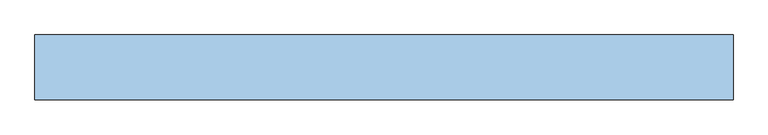
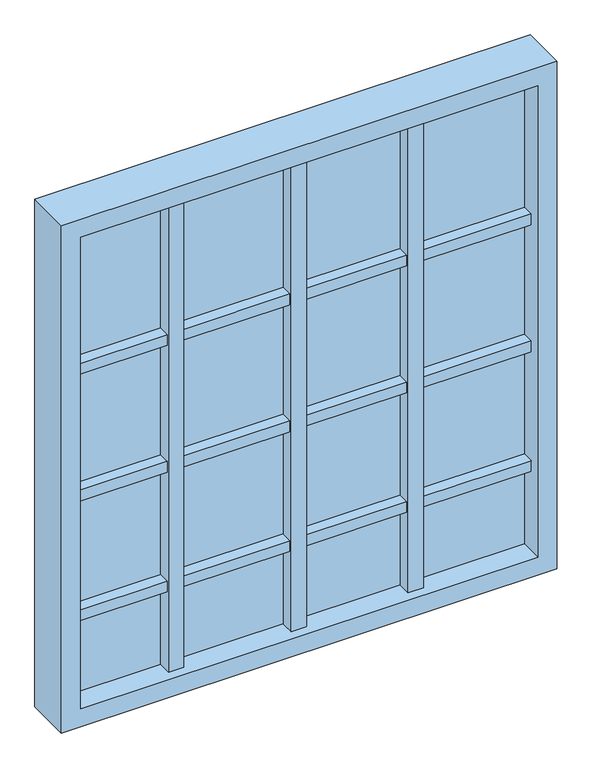
"""IFC4 building model written with IfcOpenShell, lengths in millimetres: window geometry."""

from ifc_helpers import new_model, si_unit, frame, origin, place, context, project, spatial, polyline, outline, extrude, faceted_brep, source, transform, mapped, element, save


def window_07c55287(model_context):
    return source(origin(), model_context, "Body", "SolidModel", [
        faceted_brep([(-146.2502915, -51.9216834, 854.6219736), (-146.2502915, -116.9216834, 854.6219736), (-186.2502915, -116.9216834, 854.6219736), (-186.2502915, -51.9216834, 854.6219736), (-146.2502915, -51.9216834, 2154.6219736), (-146.2502915, -116.9216834, 2154.6219736), (-146.2502915, -51.9216834, 1073.2641831), (-146.2502915, -111.5, 1073.2641831), (-146.2502915, -111.5, 1102.7391612), (-146.2502915, -51.9216834, 1102.7391612), (-146.2502915, -51.9216834, 1403.2641831), (-146.2502915, -111.5, 1403.2641831), (-146.2502915, -111.5, 1432.7391612), (-146.2502915, -51.9216834, 1432.7391612), (-146.2502915, -51.9216834, 1753.2641831), (-146.2502915, -111.5, 1753.2641831), (-146.2502915, -111.5, 1782.7391612), (-146.2502915, -51.9216834, 1782.7391612), (-186.2502915, -116.9216834, 2154.6219736), (-186.2502915, -51.9216834, 2154.6219736), (-186.2502915, -51.9216834, 1782.7391612), (-186.2502915, -111.5, 1782.7391612), (-186.2502915, -111.5, 1753.2641831), (-186.2502915, -51.9216834, 1753.2641831), (-186.2502915, -51.9216834, 1432.7391612), (-186.2502915, -111.5, 1432.7391612), (-186.2502915, -111.5, 1403.2641831), (-186.2502915, -51.9216834, 1403.2641831), (-186.2502915, -51.9216834, 1102.7391612), (-186.2502915, -111.5, 1102.7391612), (-186.2502915, -111.5, 1073.2641831), (-186.2502915, -51.9216834, 1073.2641831), (-466.2502915, -51.9216834, 854.6219736), (-466.2502915, -116.9216834, 854.6219736), (-506.2502915, -116.9216834, 854.6219736), (-506.2502915, -51.9216834, 854.6219736), (-466.2502915, -51.9216834, 2154.6219736), (-466.2502915, -116.9216834, 2154.6219736), (-466.2502915, -51.9216834, 1073.2641831), (-466.2502915, -111.5, 1073.2641831), (-466.2502915, -111.5, 1102.7391612), (-466.2502915, -51.9216834, 1102.7391612), (-466.2502915, -51.9216834, 1403.2641831), (-466.2502915, -111.5, 1403.2641831), (-466.2502915, -111.5, 1432.7391612), (-466.2502915, -51.9216834, 1432.7391612), (-466.2502915, -51.9216834, 1753.2641831), (-466.2502915, -111.5, 1753.2641831), (-466.2502915, -111.5, 1782.7391612), (-466.2502915, -51.9216834, 1782.7391612), (-506.2502915, -116.9216834, 2154.6219736), (-506.2502915, -51.9216834, 2154.6219736), (-506.2502915, -51.9216834, 1782.7391612), (-506.2502915, -111.5, 1782.7391612), (-506.2502915, -111.5, 1753.2641831), (-506.2502915, -51.9216834, 1753.2641831), (-506.2502915, -51.9216834, 1432.7391612), (-506.2502915, -111.5, 1432.7391612), (-506.2502915, -111.5, 1403.2641831), (-506.2502915, -51.9216834, 1403.2641831), (-506.2502915, -51.9216834, 1102.7391612), (-506.2502915, -111.5, 1102.7391612), (-506.2502915, -111.5, 1073.2641831), (-506.2502915, -51.9216834, 1073.2641831), (158.7497085, -51.9216834, 854.6219736), (158.7497085, -116.9216834, 854.6219736), (118.7497085, -116.9216834, 854.6219736), (118.7497085, -51.9216834, 854.6219736), (158.7497085, -51.9216834, 2154.6219736), (158.7497085, -116.9216834, 2154.6219736), (158.7497085, -51.9216834, 1073.2641831), (158.7497085, -111.5, 1073.2641831), (158.7497085, -111.5, 1102.7391612), (158.7497085, -51.9216834, 1102.7391612), (158.7497085, -51.9216834, 1403.2641831), (158.7497085, -111.5, 1403.2641831), (158.7497085, -111.5, 1432.7391612), (158.7497085, -51.9216834, 1432.7391612), (158.7497085, -51.9216834, 1753.2641831), (158.7497085, -111.5, 1753.2641831), (158.7497085, -111.5, 1782.7391612), (158.7497085, -51.9216834, 1782.7391612), (118.7497085, -116.9216834, 2154.6219736), (118.7497085, -51.9216834, 2154.6219736), (118.7497085, -51.9216834, 1782.7391612), (118.7497085, -111.5, 1782.7391612), (118.7497085, -111.5, 1753.2641831), (118.7497085, -51.9216834, 1753.2641831), (118.7497085, -51.9216834, 1432.7391612), (118.7497085, -111.5, 1432.7391612), (118.7497085, -111.5, 1403.2641831), (118.7497085, -51.9216834, 1403.2641831), (118.7497085, -51.9216834, 1102.7391612), (118.7497085, -111.5, 1102.7391612), (118.7497085, -111.5, 1073.2641831), (118.7497085, -51.9216834, 1073.2641831), (443.7497085, -111.5, 1782.7391612), (443.7497085, -111.5, 1753.2641831), (443.7497085, -51.4894594, 1753.2641831), (443.7497085, -51.4894594, 1782.7391612), (-750.0, -111.5, 1782.7391612), (-750.0, -51.4894594, 1782.7391612), (-750.0, -51.4894594, 1753.2641831), (-750.0, -111.5, 1753.2641831), (443.7497085, -111.5, 1432.7391612), (443.7497085, -111.5, 1403.2641831), (443.7497085, -51.4894594, 1403.2641831), (443.7497085, -51.4894594, 1432.7391612), (-750.0, -111.5, 1432.7391612), (-750.0, -51.4894594, 1432.7391612), (-750.0, -51.4894594, 1403.2641831), (-750.0, -111.5, 1403.2641831), (443.7497085, -111.5, 1102.7391612), (443.7497085, -111.5, 1073.2641831), (443.7497085, -51.4894594, 1073.2641831), (443.7497085, -51.4894594, 1102.7391612), (-750.0, -111.5, 1102.7391612), (-750.0, -51.4894594, 1102.7391612), (-750.0, -51.4894594, 1073.2641831), (-750.0, -111.5, 1073.2641831)], [[[0, 1, 2, 3]], [[4, 5, 1, 0, 6, 7, 8, 9, 10, 11, 12, 13, 14, 15, 16, 17]], [[5, 18, 2, 1]], [[18, 19, 20, 21, 22, 23, 24, 25, 26, 27, 28, 29, 30, 31, 3, 2]], [[0, 3, 31, 6]], [[23, 14, 13, 24]], [[19, 4, 17, 20]], [[27, 10, 9, 28]], [[32, 33, 34, 35]], [[36, 37, 33, 32, 38, 39, 40, 41, 42, 43, 44, 45, 46, 47, 48, 49]], [[37, 50, 34, 33]], [[50, 51, 52, 53, 54, 55, 56, 57, 58, 59, 60, 61, 62, 63, 35, 34]], [[32, 35, 63, 38]], [[55, 46, 45, 56]], [[51, 36, 49, 52]], [[59, 42, 41, 60]], [[64, 65, 66, 67]], [[68, 69, 65, 64, 70, 71, 72, 73, 74, 75, 76, 77, 78, 79, 80, 81]], [[69, 82, 66, 65]], [[82, 83, 84, 85, 86, 87, 88, 89, 90, 91, 92, 93, 94, 95, 67, 66]], [[64, 67, 95, 70]], [[83, 68, 81, 84]], [[78, 77, 88, 87]], [[74, 73, 92, 91]], [[96, 97, 98, 99]], [[100, 101, 102, 103]], [[97, 96, 80, 79]], [[100, 103, 54, 53]], [[22, 21, 48, 47]], [[16, 15, 86, 85]], [[98, 97, 79, 78, 87, 86, 15, 14, 23, 22, 47, 46, 55, 54, 103, 102]], [[99, 98, 102, 101]], [[96, 99, 101, 100, 53, 52, 49, 48, 21, 20, 17, 16, 85, 84, 81, 80]], [[4, 19, 18, 5]], [[36, 51, 50, 37]], [[104, 105, 106, 107]], [[108, 109, 110, 111]], [[12, 11, 90, 89]], [[105, 104, 76, 75]], [[108, 111, 58, 57]], [[25, 44, 43, 26]], [[106, 105, 75, 74, 91, 90, 11, 10, 27, 26, 43, 42, 59, 58, 111, 110]], [[107, 106, 110, 109]], [[104, 107, 109, 108, 57, 56, 45, 44, 25, 24, 13, 12, 89, 88, 77, 76]], [[112, 113, 114, 115]], [[116, 117, 118, 119]], [[8, 7, 94, 93]], [[113, 112, 72, 71]], [[116, 119, 62, 61]], [[29, 40, 39, 30]], [[114, 113, 71, 70, 95, 94, 7, 6, 31, 30, 39, 38, 63, 62, 119, 118]], [[115, 114, 118, 117]], [[112, 115, 117, 116, 61, 60, 41, 40, 29, 28, 9, 8, 93, 92, 73, 72]], [[68, 83, 82, 69]]]),
        extrude(outline(polyline([(443.7497085, -81.5), (-750.0, -81.5), (-750.0, -71.5), (443.7497085, -71.5), (443.7497085, -81.5)])), frame((0.0, 0.0, 854.6219736), z_axis=(0.0, 0.0, 1.0), x_axis=(1.0, 0.0, 0.0)), (0.0, 0.0, 1.0), 1300.0),
        extrude(outline(polyline([(2204.6219736, 493.7497085), (2204.6219736, -800.0), (804.6219736, -800.0), (804.6219736, 493.7497085), (2204.6219736, 493.7497085)]), holes=[polyline([(854.6219736, -750.0), (2154.6219736, -750.0), (2154.6219736, 443.7497085), (854.6219736, 443.7497085), (854.6219736, -750.0)])]), frame((0.0, -141.5, 0.0), z_axis=(0.0, 1.0, 0.0), x_axis=(0.0, 0.0, 1.0)), (0.0, 0.0, 1.0), 120.0),
    ])


if __name__ == "__main__":
    model = new_model("IFC4")
    model_context = context("Model", 3, world=origin())
    ifc_project = project(units=[si_unit("LENGTHUNIT", "METRE", prefix="MILLI")], contexts=[model_context])
    site = spatial("IfcSite", under=ifc_project)
    building = spatial("IfcBuilding", under=site)
    placement = place(None, origin())
    window_shape = window_07c55287(model_context)
    element("IfcWindow", 1, at=placement, inside=building, context=model_context, shape_type="MappedRepresentation", body=[
        mapped(window_shape, transform((0.0, 0.0, 0.0), x_axis=(1.0, 0.0, 0.0), y_axis=(0.0, 1.0, 0.0), z_axis=(0.0, 0.0, 1.0))),
    ])
    save(model, "model.ifc")
